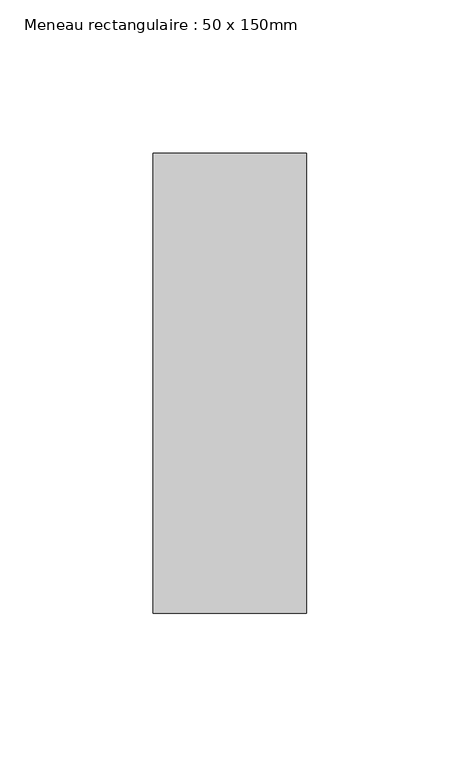
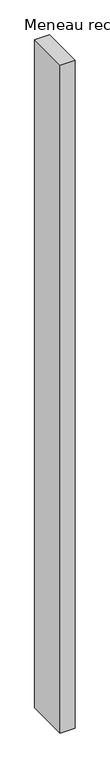
"""IFC4 building model written with IfcOpenShell, lengths in millimetres: member geometry, Meneau rectangulaire : 50 x 150mm."""

import ifcopenshell
import ifcopenshell.guid

model = None  # the IFC model being written
_history = None  # IfcOwnerHistory: only IFC2X3 demands one
_inside = {}  # id of a spatial element -> (the spatial element, [elements in it])
_under = {}  # id of a project, library or spatial element -> (it, [spatial elements below it])
_declared = {}  # id of a project -> (the project, [libraries it declares])
_typed = {}  # id of a type object -> (the type object, [elements of that type])
_made_of = {}  # id of a material, layer set ... -> (it, [elements and type objects made of it])


def new_model(schema):
    """Start an empty IFC model of exactly this schema.

    Asked for "IFC4X3", IfcOpenShell would pick the latest addendum, in which some entities
    have other attributes; the version numbers below select the first issue.
    IFC2X3 requires an IfcOwnerHistory on every rooted entity: one is made here for all.
    """
    global model, _history
    if schema == "IFC4X3":
        model = ifcopenshell.file(schema_version=(4, 3, 0, 0))
    else:
        model = ifcopenshell.file(schema=schema)
    _inside.clear()
    _under.clear()
    _declared.clear()
    _typed.clear()
    _made_of.clear()
    _history = None
    if model.schema == "IFC2X3":
        org = make("IfcOrganization", Name="unknown")
        user = make(
            "IfcPersonAndOrganization",
            ThePerson=make("IfcPerson", FamilyName="unknown"),
            TheOrganization=org,
        )
        app = make(
            "IfcApplication",
            ApplicationDeveloper=org,
            Version="unknown",
            ApplicationFullName="unknown",
            ApplicationIdentifier="unknown",
        )
        _history = make(
            "IfcOwnerHistory",
            OwningUser=user,
            OwningApplication=app,
            ChangeAction="ADDED",
            CreationDate=0,
        )
    return model


def make(cls, **values):
    """One entity of the class cls with the attributes given. An attribute that is None is left unset."""
    return model.create_entity(
        cls, **{name: value for name, value in values.items() if value is not None}
    )


def rooted(cls, **values):
    """An entity with a GlobalId (a new one), such as an element, a storey or a relation."""
    return make(cls, GlobalId=ifcopenshell.guid.new(), OwnerHistory=_history, **values)


def si_unit(unit_type, name, prefix=None):
    """IfcSIUnit, for example si_unit("LENGTHUNIT", "METRE", prefix="MILLI")."""
    return make("IfcSIUnit", UnitType=unit_type, Prefix=prefix, Name=name)


def assignment(units):
    """IfcUnitAssignment: the units of a project."""
    return None if units is None else make("IfcUnitAssignment", Units=units)


def point(xyz):
    """IfcCartesianPoint."""
    return None if xyz is None else make("IfcCartesianPoint", Coordinates=xyz)


def direction(xyz):
    """IfcDirection."""
    return None if xyz is None else make("IfcDirection", DirectionRatios=xyz)


def frame(location, z_axis=None, x_axis=None):
    """IfcAxis2Placement3D, a coordinate frame: its origin and axes. An axis left out is left unset."""
    return make(
        "IfcAxis2Placement3D",
        Location=point(location),
        Axis=direction(z_axis),
        RefDirection=direction(x_axis),
    )


def origin():
    """The frame at (0, 0, 0) with its axes left unset."""
    return frame((0.0, 0.0, 0.0))


def place(relative_to, where):
    """IfcLocalPlacement: puts the frame where relative to a parent placement (None: the world)."""
    return make(
        "IfcLocalPlacement", PlacementRelTo=relative_to, RelativePlacement=where
    )


def context(
    kind, dimensions, precision=None, world=None, true_north=None, identifier=None
):
    """IfcGeometricRepresentationContext, for example the 3D "Model" context."""
    return make(
        "IfcGeometricRepresentationContext",
        ContextIdentifier=identifier,
        ContextType=kind,
        CoordinateSpaceDimension=dimensions,
        Precision=precision,
        WorldCoordinateSystem=world,
        TrueNorth=true_north,
    )


def project(units=None, contexts=None):
    """IfcProject with its units and contexts."""
    return rooted(
        "IfcProject",
        Name="project",
        RepresentationContexts=contexts,
        UnitsInContext=assignment(units),
    )


def spatial(cls, under=None, at=None, **own):
    """A site, building, storey or space (cls), placed at a placement, below another one or the project."""
    s = rooted(cls, ObjectPlacement=at, **own)
    if under is not None:
        _under.setdefault(under.id(), (under, []))[1].append(s)
    return s


def polyline(points):
    """IfcPolyline through the points."""
    return make("IfcPolyline", Points=[point(p) for p in points])


def outline(outer, holes=None, kind="AREA"):
    """IfcArbitraryClosedProfileDef: a profile drawn as a closed curve; with holes, ...WithVoids."""
    if holes is None:
        return make("IfcArbitraryClosedProfileDef", ProfileType=kind, OuterCurve=outer)
    return make(
        "IfcArbitraryProfileDefWithVoids",
        ProfileType=kind,
        OuterCurve=outer,
        InnerCurves=holes,
    )


def extrude(swept, where, along, depth):
    """IfcExtrudedAreaSolid: the profile swept, set in the frame where, extruded along a direction by depth."""
    return make(
        "IfcExtrudedAreaSolid",
        SweptArea=swept,
        Position=where,
        ExtrudedDirection=direction(along),
        Depth=depth,
    )


def shape(context_of_items, identifier, shape_type, items):
    """IfcShapeRepresentation: the items that make up one representation, for example the "Body"."""
    return make(
        "IfcShapeRepresentation",
        ContextOfItems=context_of_items,
        RepresentationIdentifier=identifier,
        RepresentationType=shape_type,
        Items=items,
    )


def source(mapping_origin, context_of_items, identifier, shape_type, items):
    """IfcRepresentationMap: a shape defined once, which mapped items show again and again."""
    return make(
        "IfcRepresentationMap",
        MappingOrigin=mapping_origin,
        MappedRepresentation=shape(context_of_items, identifier, shape_type, items),
    )


def transform(
    local_origin,
    x_axis=None,
    y_axis=None,
    z_axis=None,
    scale=None,
    scale2=None,
    scale3=None,
    uniform=True,
):
    """IfcCartesianTransformationOperator3D, or its non-uniform kind. x_axis, y_axis, z_axis: its Axis1, 2, 3."""
    if uniform:
        return make(
            "IfcCartesianTransformationOperator3D",
            Axis1=direction(x_axis),
            Axis2=direction(y_axis),
            LocalOrigin=point(local_origin),
            Scale=scale,
            Axis3=direction(z_axis),
        )
    return make(
        "IfcCartesianTransformationOperator3DnonUniform",
        Axis1=direction(x_axis),
        Axis2=direction(y_axis),
        LocalOrigin=point(local_origin),
        Scale=scale,
        Axis3=direction(z_axis),
        Scale2=scale2,
        Scale3=scale3,
    )


def mapped(mapping_source, mapping_target):
    """IfcMappedItem: shows the shape of a source again, moved by a transform."""
    return make(
        "IfcMappedItem", MappingSource=mapping_source, MappingTarget=mapping_target
    )


def made_of(thing, what):
    """Note that an element or type object is made of a material, layer set ...; save() writes the relation."""
    if what is not None:
        _made_of.setdefault(what.id(), (what, []))[1].append(thing)
    return thing


def element(
    cls,
    number,
    at=None,
    inside=None,
    cuts=None,
    type_object=None,
    material=None,
    context=None,
    identifier="Body",
    shape_type=None,
    held_by="IfcProductDefinitionShape",
    body=None,
    shapes=None,
    **own,
):
    """One element of the class cls, such as IfcWall. Its Tag is "e" and its number.

    at: its placement. inside: the storey or other place that contains it. cuts: it is an
    opening in that element (IfcRelVoidsElement). A single representation is given by context,
    identifier, shape_type and body (its items); several are given by shapes. held_by: the class
    of the entity that holds the representations. save() writes the other relations.
    """
    e = rooted(cls, Tag="e%d" % number, ObjectPlacement=at, **own)
    if body is not None:
        shapes = [shape(context, identifier, shape_type, body)]
    if shapes is not None:
        e.Representation = make(held_by, Representations=shapes)
    if inside is not None:
        _inside.setdefault(inside.id(), (inside, []))[1].append(e)
    if cuts is not None:
        rooted(
            "IfcRelVoidsElement", RelatingBuildingElement=cuts, RelatedOpeningElement=e
        )
    if type_object is not None:
        _typed.setdefault(type_object.id(), (type_object, []))[1].append(e)
    return made_of(e, material)


def aggregate(whole, parts):
    """IfcRelAggregates: a whole, such as a stair, and the parts it consists of."""
    return rooted("IfcRelAggregates", RelatingObject=whole, RelatedObjects=parts)


def save(model, path):
    """Write the relations noted so far, then the file.

    IfcRelAggregates (storeys below a building ...), IfcRelContainedInSpatialStructure (elements
    in a storey), IfcRelDefinesByType, IfcRelAssociatesMaterial and IfcRelDeclares: one each for
    every whole, place, type object, material and project.
    """
    for whole, parts in _under.values():
        aggregate(whole, parts)
    for where, things in _inside.values():
        rooted(
            "IfcRelContainedInSpatialStructure",
            RelatedElements=things,
            RelatingStructure=where,
        )
    for kind, things in _typed.values():
        rooted("IfcRelDefinesByType", RelatedObjects=things, RelatingType=kind)
    for what, things in _made_of.values():
        rooted("IfcRelAssociatesMaterial", RelatedObjects=things, RelatingMaterial=what)
    for by, libraries in _declared.values():
        rooted("IfcRelDeclares", RelatingContext=by, RelatedDefinitions=libraries)
    model.write(path)


def meneau_rectangulaire_50_x_150mm_662c37b1(model_context):
    return source(origin(), model_context, "Body", "SweptSolid", [
        extrude(outline(polyline([(0.0, 75.0), (0.0, -75.0), (-50.0, -75.0), (-50.0, 75.0), (0.0, 75.0)])), frame((0.0, 0.0, -2400.0), z_axis=(0.0, 0.0, 1.0), x_axis=(1.0, 0.0, 0.0)), (0.0, 0.0, 1.0), 2400.0),
    ])


if __name__ == "__main__":
    model = new_model("IFC4")
    model_context = context("Model", 3, world=origin())
    ifc_project = project(units=[si_unit("LENGTHUNIT", "METRE", prefix="MILLI")], contexts=[model_context])
    site = spatial("IfcSite", under=ifc_project)
    building = spatial("IfcBuilding", under=site)
    placement = place(None, origin())
    meneau_rectangulaire_50_x_150mm_shape = meneau_rectangulaire_50_x_150mm_662c37b1(model_context)
    element("IfcMember", 1, ObjectType="Meneau rectangulaire : 50 x 150mm", at=placement, inside=building, context=model_context, shape_type="MappedRepresentation", body=[
        mapped(meneau_rectangulaire_50_x_150mm_shape, transform((0.0, 0.0, 0.0), x_axis=(1.0, 0.0, 0.0), y_axis=(0.0, 1.0, 0.0), z_axis=(0.0, 0.0, 1.0))),
    ])
    save(model, "model.ifc")
